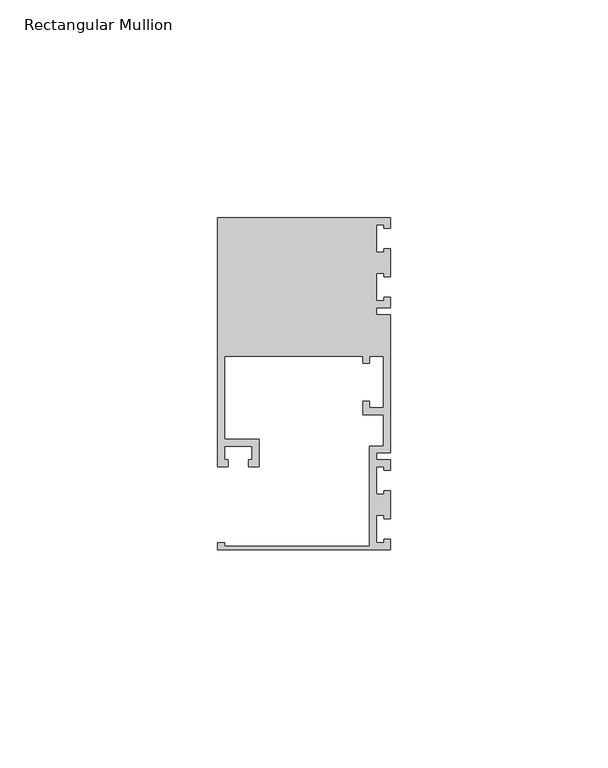
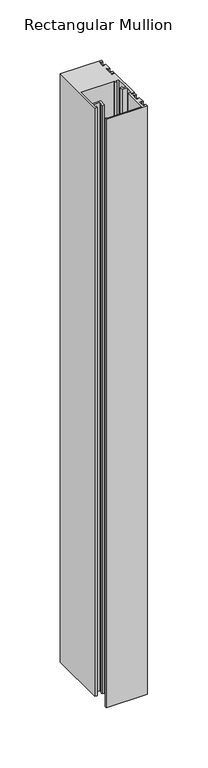
"""IFC4 building model written with IfcOpenShell, lengths in millimetres: member geometry, Rectangular Mullion."""

from ifc_helpers import new_model, si_unit, frame, origin, place, context, project, spatial, polyline, outline, extrude, source, transform, mapped, element, save


def rectangular_mullion_e8d65655(model_context):
    return source(origin(), model_context, "Body", "SweptSolid", [
        extrude(outline(polyline([(0.0, -38.1), (-39.6875, -38.1), (-39.6875, -36.5125), (-38.1, -36.5125), (-38.1, -37.30625), (-4.7625, -37.30625), (-4.7625, -14.2875), (-1.5875, -14.2875), (-1.5875, -7.14375), (-6.35, -7.14375), (-6.35, -3.96875), (-4.7625, -3.96875), (-4.7625, -5.55625), (-1.5875, -5.55625), (-1.5875, 6.35), (-4.7625, 6.35), (-4.7625, 4.7625), (-6.35, 4.7625), (-6.35, 6.35), (-38.1, 6.35), (-38.1, -12.7), (-30.1625, -12.7), (-30.1625, -19.05), (-32.54375, -19.05), (-32.54375, -17.4625), (-31.75, -17.4625), (-31.75, -14.2875), (-38.1, -14.2875), (-38.1, -17.4625), (-37.30625, -17.4625), (-37.30625, -19.05), (-39.6875, -19.05), (-39.6875, 38.1), (0.0, 38.1), (0.0, 35.71875), (-1.4999946, 35.71875), (-1.4999946, 36.5125), (-3.175, 36.5125), (-3.175, 30.1625), (-1.4999946, 30.1625), (-1.4999946, 30.95625), (0.0, 30.95625), (0.0, 24.60625), (-1.4999946, 24.60625), (-1.4999946, 25.4), (-3.175, 25.4), (-3.175, 19.05), (-1.4999946, 19.05), (-1.4999946, 19.84375), (0.0, 19.84375), (0.0, 17.4625), (-3.175, 17.4625), (-3.175, 15.875), (0.0, 15.875), (0.0, -15.875), (-3.175, -15.875), (-3.175, -17.4625), (0.0, -17.4625), (0.0, -19.84375), (-1.4999946, -19.84375), (-1.4999946, -19.05), (-3.175, -19.05), (-3.175, -25.4), (-1.4999946, -25.4), (-1.4999946, -24.60625), (0.0, -24.60625), (0.0, -30.95625), (-1.4999946, -30.95625), (-1.4999946, -30.1625), (-3.175, -30.1625), (-3.175, -36.5125), (-1.4999946, -36.5125), (-1.4999946, -35.71875), (0.0, -35.71875), (0.0, -38.1)])), frame((0.0, 0.0, -596.9), z_axis=(0.0, 0.0, 1.0), x_axis=(1.0, 0.0, 0.0)), (0.0, 0.0, 1.0), 596.9),
    ])


if __name__ == "__main__":
    model = new_model("IFC4")
    model_context = context("Model", 3, world=origin())
    ifc_project = project(units=[si_unit("LENGTHUNIT", "METRE", prefix="MILLI")], contexts=[model_context])
    site = spatial("IfcSite", under=ifc_project)
    building = spatial("IfcBuilding", under=site)
    placement = place(None, origin())
    rectangular_mullion_shape = rectangular_mullion_e8d65655(model_context)
    element("IfcMember", 1, ObjectType="Rectangular Mullion", at=placement, inside=building, context=model_context, shape_type="MappedRepresentation", body=[
        mapped(rectangular_mullion_shape, transform((0.0, 0.0, 0.0), x_axis=(1.0, 0.0, 0.0), y_axis=(0.0, 1.0, 0.0), z_axis=(0.0, 0.0, 1.0))),
    ])
    save(model, "model.ifc")
